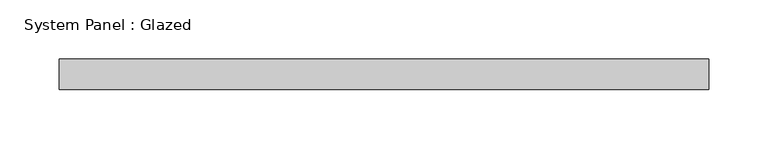
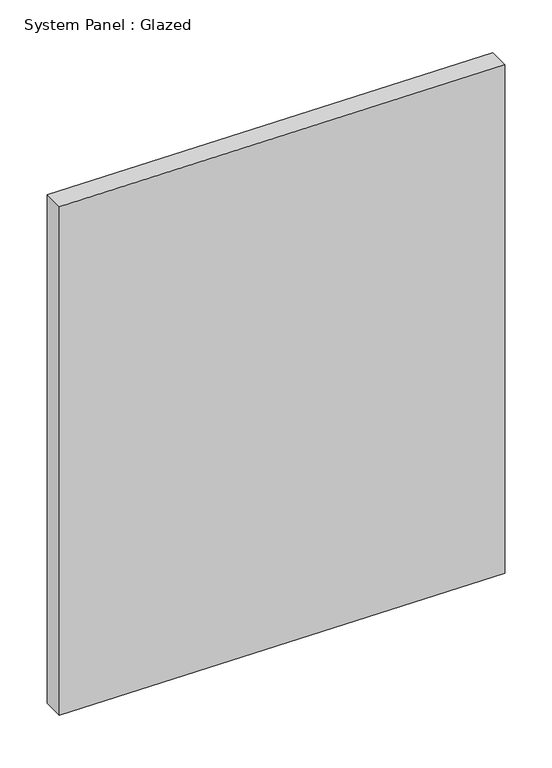
"""IFC4 building model written with IfcOpenShell, lengths in millimetres: plate geometry, System Panel : Glazed."""

from ifc_helpers import new_model, si_unit, frame, origin, place, context, project, spatial, polyline, outline, extrude, source, transform, mapped, element, save


def system_panel_glazed_72b28422(model_context):
    return source(origin(), model_context, "Body", "SweptSolid", [
        extrude(outline(polyline([(7.2971193, -273.05), (0.0, 273.05), (658.9789781, 273.05), (666.2652916, -273.05), (7.2971193, -273.05)])), frame((0.0, 19.05, 0.0), z_axis=(0.0, 1.0, 0.0), x_axis=(0.0, 0.0, 1.0)), (0.0, 0.0, 1.0), 25.4),
    ])


if __name__ == "__main__":
    model = new_model("IFC4")
    model_context = context("Model", 3, world=origin())
    ifc_project = project(units=[si_unit("LENGTHUNIT", "METRE", prefix="MILLI")], contexts=[model_context])
    site = spatial("IfcSite", under=ifc_project)
    building = spatial("IfcBuilding", under=site)
    placement = place(None, origin())
    system_panel_glazed_shape = system_panel_glazed_72b28422(model_context)
    element("IfcPlate", 1, ObjectType="System Panel : Glazed", at=placement, inside=building, context=model_context, shape_type="MappedRepresentation", body=[
        mapped(system_panel_glazed_shape, transform((0.0, 0.0, 0.0), x_axis=(1.0, 0.0, 0.0), y_axis=(0.0, 1.0, 0.0), z_axis=(0.0, 0.0, 1.0))),
    ])
    save(model, "model.ifc")
